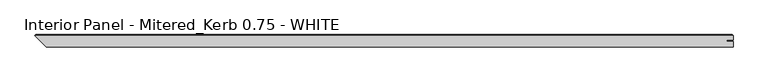
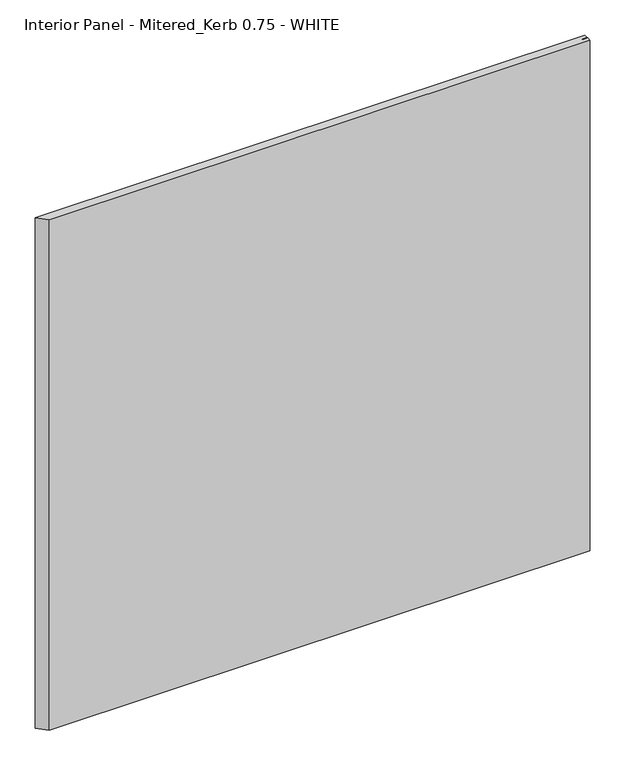
"""IFC4 building model written with IfcOpenShell, lengths in millimetres: proxy geometry, Interior Panel - Mitered_Kerb 0.75 - WHITE."""

from ifc_helpers import new_model, si_unit, origin, place, context, project, spatial, faceted_brep, source, transform, mapped, element, save


def interior_panel_mitered_kerb_0_75_white_2486d10a(model_context):
    return source(origin(), model_context, "Body", "Brep", [
        faceted_brep([(1010.840625, -3.175, 1063.625), (1010.840625, 5.2832, 1063.625), (1001.0179687, 5.2832, 1063.625), (1001.0179687, 7.4168, 1063.625), (1010.840625, 7.4168, 1063.625), (1010.840625, 14.2875, 1063.625), (-73.025, 14.2875, 1063.625), (-55.5625, -3.175, 1063.625), (1010.840625, -3.175, 0.0), (-55.5625, -3.175, 0.0), (-73.025, 14.2875, 0.0), (1010.840625, 14.2875, 0.0), (1010.840625, 7.4168, 0.0), (1001.0179687, 7.4168, 0.0), (1001.0179687, 5.2832, 0.0), (1010.840625, 5.2832, 0.0), (-71.4375, 15.875, 1062.0375), (1009.253125, 15.875, 1062.0375), (1009.253125, 15.875, 1.5875), (-71.4375, 15.875, 1.5875)], [[[0, 1, 2, 3, 4, 5, 6, 7]], [[8, 9, 10, 11, 12, 13, 14, 15]], [[7, 9, 8, 0]], [[16, 17, 18, 19]], [[4, 12, 11, 5]], [[11, 18, 17, 5]], [[5, 17, 16, 6]], [[10, 19, 18, 11]], [[3, 13, 12, 4]], [[2, 14, 13, 3]], [[1, 15, 14, 2]], [[0, 8, 15, 1]], [[6, 16, 19, 10]], [[6, 10, 9, 7]]]),
    ])


if __name__ == "__main__":
    model = new_model("IFC4")
    model_context = context("Model", 3, world=origin())
    ifc_project = project(units=[si_unit("LENGTHUNIT", "METRE", prefix="MILLI")], contexts=[model_context])
    site = spatial("IfcSite", under=ifc_project)
    building = spatial("IfcBuilding", under=site)
    placement = place(None, origin())
    interior_panel_mitered_kerb_0_75_white_shape = interior_panel_mitered_kerb_0_75_white_2486d10a(model_context)
    element("IfcBuildingElementProxy", 1, Name="Interior Panel - Mitered_Kerb 0.75 - WHITE", ObjectType="Interior Panel - Mitered_Kerb 0.75 - WHITE", at=placement, inside=building, context=model_context, shape_type="MappedRepresentation", body=[
        mapped(interior_panel_mitered_kerb_0_75_white_shape, transform((0.0, 0.0, 0.0), x_axis=(1.0, 0.0, 0.0), y_axis=(0.0, 1.0, 0.0), z_axis=(0.0, 0.0, 1.0))),
    ])
    save(model, "model.ifc")
